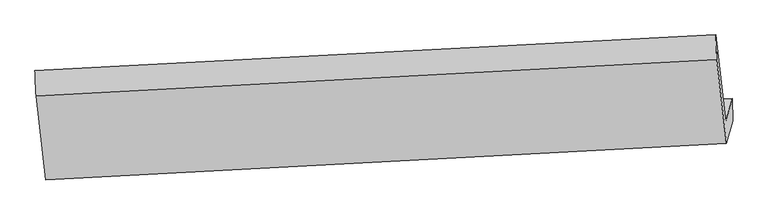
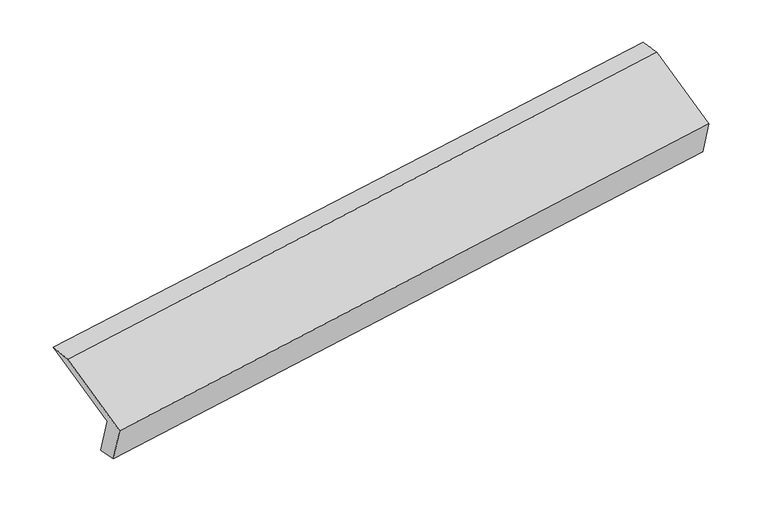
"""IFC4 building model written with IfcOpenShell, lengths in millimetres: proxy geometry."""

from ifc_helpers import new_model, si_unit, frame, origin, place, context, project, spatial, source, transform, mapped, element, save
from ifc_brep_helpers import plane_surface, spline_surface, advanced_brep


def generic_models_f6a47fd4(model_context):
    return source(origin(), model_context, "Body", "AdvancedBrep", [
        advanced_brep(
        [(-5211.5920274, -1642.195841, 1229.561108), (-5256.7594689, -1806.6331812, 1587.7509207), (-452.6134365, -1554.2295309, 2298.3475089), (-408.5845425, -1393.9372058, 1949.1866805), (-5207.7811318, -1809.8232819, 1260.003149), (-405.8276561, -1552.4774602, 1983.6675463), (-5251.105053, -1967.5490715, 1603.5733561), (-449.1515773, -1710.2032497, 2327.2377535), (-5319.7884202, -1375.392413, 1866.7589928), (-517.8349445, -1118.0465912, 2590.4233901), (-5327.6694681, -1195.279517, 1859.4687188), (-523.5234357, -942.8758667, 2570.0653069)],
        [
            (0, 1),
            (1, 2),
            (2, 3),
            (3, 0),
            (4, 0),
            (3, 5),
            (5, 4),
            (6, 4),
            (5, 7),
            (7, 6),
            (8, 6),
            (7, 9),
            (9, 8),
            (10, 8),
            (9, 11),
            (11, 10),
            (1, 10),
            (11, 2),
        ],
        [
            plane_surface(frame((-5234.1757482, -1724.4145111, 1408.6560143), z_axis=(-0.10743215738367018, 0.908615595605775, 0.4035790269350639), x_axis=(-0.11385475247144979, -0.414501509330056, 0.902898440635917))),
            spline_surface(1, 1, [[(-5207.7811318, -1809.8232819, 1260.003149), (-405.8276561, -1552.4774602, 1983.6675463)], [(-5211.5920274, -1642.195841, 1229.561108), (-408.5845425, -1393.9372058, 1949.1866805)]], [2, 2], [2, 2], [0.0, 1.0], [0.0, 1.0]),
            plane_surface(frame((-5229.4430924, -1888.6861767, 1431.7882526), z_axis=(0.10946292265707899, -0.9085086962733759, -0.4032738738859999), x_axis=(0.11385475247142725, 0.41450150933005675, -0.9028984406359195))),
            plane_surface(frame((-5285.4467366, -1671.4707422, 1735.1661745), z_axis=(-0.11385475247142907, -0.41450150933004737, 0.9028984406359237), x_axis=(0.10540092064720828, -0.9087186536639011, -0.40388247598774074))),
            spline_surface(1, 1, [[(-5327.6694681, -1195.279517, 1859.4687188), (-523.5234357, -942.8758667, 2570.0653069)], [(-5319.7884202, -1375.392413, 1866.7589928), (-517.8349445, -1118.0465912, 2590.4233901)]], [2, 2], [2, 2], [0.0, 1.0], [0.0, 1.0]),
            plane_surface(frame((-5292.2144685, -1500.9563491, 1723.6098198), z_axis=(0.11182305215995783, 0.41439949620141747, -0.9031991267453943), x_axis=(-0.1054009206472084, 0.9087186536638947, 0.403882475987755))),
            plane_surface(frame((-459.5892654, -1378.6283174, 2286.488031), z_axis=(0.9878905512587874, 0.04918238756282329, 0.14715077807211743), x_axis=(0.10540092064720828, -0.9087186536639011, -0.40388247598774074))),
            plane_surface(frame((-5262.4492616, -1632.8122176, 1567.8527076), z_axis=(-0.9878905512587891, -0.04918238756277872, -0.14715077807212096), x_axis=(0.11385475247144865, 0.41450150933005586, -0.9028984406359173))),
        ],
        [
            (0, [[1, 2, 3, 4]]),
            (1, [[5, -4, 6, 7]]),
            (2, [[8, -7, 9, 10]]),
            (3, [[11, -10, 12, 13]]),
            (4, [[14, -13, 15, 16]]),
            (5, [[17, -16, 18, -2]]),
            (6, [[-12, -9, -6, -3, -18, -15]]),
            (7, [[-1, -5, -8, -11, -14, -17]]),
        ],
    ),
    ])


if __name__ == "__main__":
    model = new_model("IFC4")
    model_context = context("Model", 3, world=origin())
    ifc_project = project(units=[si_unit("LENGTHUNIT", "METRE", prefix="MILLI")], contexts=[model_context])
    site = spatial("IfcSite", under=ifc_project)
    building = spatial("IfcBuilding", under=site)
    placement = place(None, origin())
    generic_models_shape = generic_models_f6a47fd4(model_context)
    element("IfcBuildingElementProxy", 1, Name="Generic Models", at=placement, inside=building, context=model_context, shape_type="MappedRepresentation", body=[
        mapped(generic_models_shape, transform((0.0, 0.0, 0.0), x_axis=(1.0, 0.0, 0.0), y_axis=(0.0, 1.0, 0.0), z_axis=(0.0, 0.0, 1.0))),
    ])
    save(model, "model.ifc")
